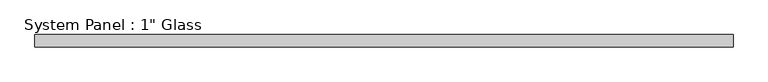
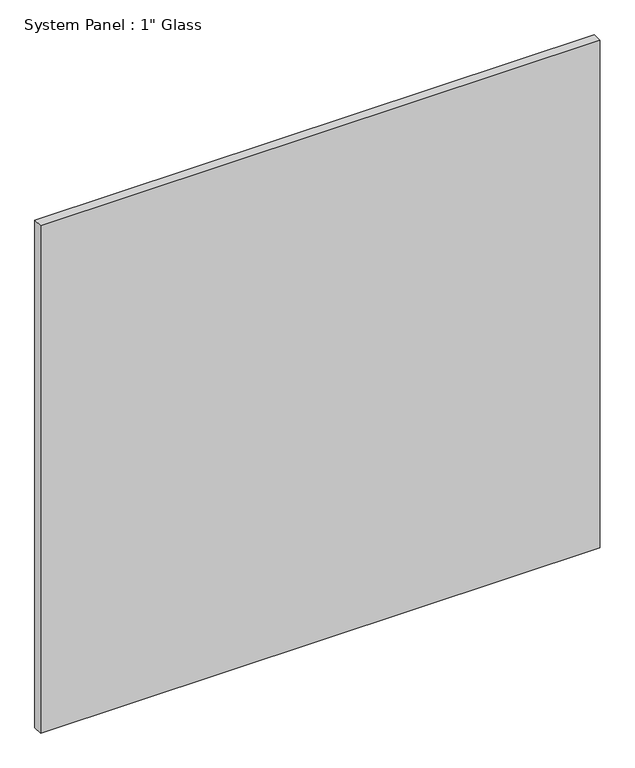
"""IFC4 building model written with IfcOpenShell, lengths in millimetres: plate geometry."""

from ifc_helpers import new_model, si_unit, origin, origin_with_axes, place, context, project, spatial, polyline, outline, extrude, source, transform, mapped, element, save


def plate_23802b5a(model_context):
    return source(origin(), model_context, "Body", "SweptSolid", [
        extrude(outline(polyline([(729.6720691, -12.7), (-729.6720691, -12.7), (-729.6720691, 12.7), (729.6720691, 12.7), (729.6720691, -12.7)])), origin_with_axes(), (0.0, 0.0, 1.0), 1398.3841382),
    ])


if __name__ == "__main__":
    model = new_model("IFC4")
    model_context = context("Model", 3, world=origin())
    ifc_project = project(units=[si_unit("LENGTHUNIT", "METRE", prefix="MILLI")], contexts=[model_context])
    site = spatial("IfcSite", under=ifc_project)
    building = spatial("IfcBuilding", under=site)
    placement = place(None, origin())
    plate_shape = plate_23802b5a(model_context)
    element("IfcPlate", 1, ObjectType="System Panel : 1\" Glass", at=placement, inside=building, context=model_context, shape_type="MappedRepresentation", body=[
        mapped(plate_shape, transform((0.0, 0.0, 0.0), x_axis=(1.0, 0.0, 0.0), y_axis=(0.0, 1.0, 0.0), z_axis=(0.0, 0.0, 1.0))),
    ])
    save(model, "model.ifc")
